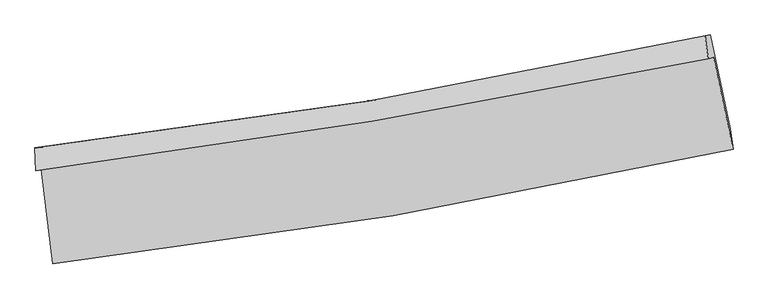
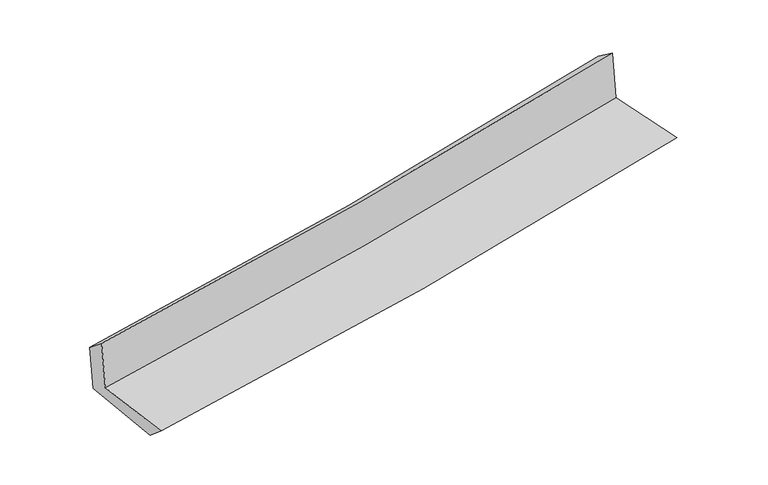
"""IFC4 building model written with IfcOpenShell, lengths in millimetres: proxy geometry."""

from ifc_helpers import new_model, si_unit, frame, origin, place, context, project, spatial, source, transform, mapped, element, save
from ifc_brep_helpers import plane_surface, spline_curve, spline_surface, advanced_brep


def generic_models_bf49f124(model_context):
    return source(origin(), model_context, "Body", "AdvancedBrep", [
        advanced_brep(
        [(-2336.5499055, -1875.2298563, 1673.537551), (-2257.0265183, -2527.137094, 1666.436706), (2423.8067748, -1739.0456139, 2090.2054305), (2289.7023964, -1106.5209139, 2099.7368535), (-2372.4535598, -1885.8979066, 2077.0141612), (2253.5429624, -1117.1554613, 2503.0512717), (-2379.9040313, -1727.9758684, 1950.5808346), (2230.8328902, -956.8923995, 2387.1150095), (-2346.2686637, -1722.6873646, 1578.7702078), (2265.1322966, -951.494358, 2014.9190101), (-2263.31004, -2382.6028673, 1544.9145025), (2403.7870983, -1597.1311012, 1986.5941262)],
        [
            (0, 1),
            (1, 2, spline_curve(3, [(-2257.0265183, -2527.137094, 1666.436706), (-1473.738900119, -2435.830844003, 1738.62841005), (-693.49870699, -2324.828655696, 1809.907395586), (866.825809793, -2062.433661964, 1951.177639847), (1646.863380822, -1910.738690326, 2021.154895566), (2423.8067748, -1739.0456139, 2090.2054305)], [4, 2, 4], [0.0, 7.743821708167105, 15.546818446326792])),
            (2, 3),
            (3, 0, spline_curve(3, [(2289.7023964, -1106.5209139, 2099.7368535), (1520.759898503, -1264.557047582, 2027.820588684), (749.290655068, -1407.822008066, 1956.211828782), (-792.831623877, -1663.835133362, 1814.150041062), (-1563.446481255, -1776.806487182, 1743.692366651), (-2336.5499055, -1875.2298563, 1673.537551)], [4, 2, 4], [0.0, 7.802996738159687, 15.546818446326792])),
            (4, 0),
            (3, 5),
            (5, 4, spline_curve(3, [(2253.5429624, -1117.1554613, 2503.0512717), (1484.646349048, -1275.169280581, 2431.116068667), (713.221438337, -1418.425939733, 2359.51149479), (-828.815604575, -1674.450444382, 2217.504120144), (-1599.389534328, -1787.441267119, 2147.096324), (-2372.4535598, -1885.8979066, 2077.0141612)], [4, 2, 4], [0.0, 7.755547482806462, 15.452279773154931])),
            (6, 4),
            (5, 7),
            (7, 6, spline_curve(3, [(2230.8328902, -956.8923995, 2387.1150095), (1466.243433732, -1126.835319237, 2316.986615255), (698.245236325, -1276.230399054, 2245.400579997), (-838.718575933, -1532.947749518, 2099.867163722), (-1607.632685894, -1640.580492461, 2025.941807447), (-2379.9040313, -1727.9758684, 1950.5808346)], [4, 2, 4], [0.0, 7.744843430431699, 15.430952843964175])),
            (8, 6),
            (7, 9),
            (9, 8, spline_curve(3, [(2265.1322966, -951.494358, 2014.9190101), (1500.435347383, -1121.459744197, 1944.762904213), (732.327849531, -1270.87521219, 1873.195425279), (-804.857336535, -1527.629043926, 1727.791165438), (-1573.883492011, -1635.27791128, 1653.975710334), (-2346.2686637, -1722.6873646, 1578.7702078)], [4, 2, 4], [0.0, 7.734991112703172, 15.411322924826589])),
            (10, 8),
            (9, 11),
            (11, 10, spline_curve(3, [(2403.7870983, -1597.1311012, 1986.5941262), (1629.144102688, -1768.310142131, 1915.544737176), (851.405762702, -1919.5290999, 1843.067899322), (-704.340053166, -2181.051430333, 1695.819789942), (-1482.300759432, -2291.656394476, 1621.070086154), (-2263.31004, -2382.6028673, 1544.9145025)], [4, 2, 4], [0.0, 7.78278565160367, 15.50654954659078])),
            (1, 10),
            (11, 2),
        ],
        [
            spline_surface(3, 3, [[(-2336.5499055, -1875.2298563, 1673.537551), (-1563.446481291, -1776.806487109, 1743.69236677), (-792.831623955, -1663.835133455, 1814.150041004), (749.290655147, -1407.822007972, 1956.21182884), (1520.759898468, -1264.55704754, 2027.820588793), (2289.7023964, -1106.5209139, 2099.7368535)], [(-2310.04210978, -2092.532268837, 1671.170602664), (-1533.543954231, -1996.481272737, 1742.004381195), (-759.720651618, -1884.166307522, 1812.735825891), (788.469039978, -1626.025892624, 1954.533765786), (1562.794392601, -1479.950928469, 2025.598691057), (2334.403855852, -1317.362480584, 2096.559712504)], [(-2283.53431402, -2309.834681463, 1668.803654336), (-1503.64142713, -2216.156058453, 1740.316395626), (-726.609679229, -2104.497481628, 1811.321610822), (827.647424863, -1844.229777315, 1952.855702777), (1604.828886777, -1695.344809345, 2023.376793308), (2379.105315348, -1528.204047216, 2093.382571496)], [(-2257.0265183, -2527.137094, 1666.436706), (-1473.73890007, -2435.830844081, 1738.628410051), (-693.498706892, -2324.828655694, 1809.907395709), (866.825809694, -2062.433661966, 1951.177639723), (1646.86338091, -1910.738690273, 2021.154895572), (2423.8067748, -1739.0456139, 2090.2054305)]], [4, 4], [4, 2, 4], [0.0, 2.1872808656144342], [0.0, 7.743821708167105, 15.546818446326792]),
            spline_surface(3, 3, [[(-2372.4535598, -1885.8979066, 2077.0141612), (-1599.389534364, -1787.441267225, 2147.096323978), (-828.815604458, -1674.450444474, 2217.504120243), (713.221438218, -1418.425939641, 2359.51149469), (1484.646349024, -1275.169280647, 2431.116068586), (2253.5429624, -1117.1554613, 2503.0512717)], [(-2360.485675008, -1882.341889834, 1942.521957782), (-1587.408516648, -1783.89634052, 2012.628338224), (-816.82094428, -1670.912007469, 2083.052760512), (725.244510538, -1414.891295753, 2225.078272755), (1496.684198841, -1271.631869598, 2296.684241959), (2265.596107069, -1113.610612154, 2368.61313227)], [(-2348.517790292, -1878.785873066, 1808.029754418), (-1575.427499007, -1780.351413814, 1878.160352524), (-804.826284133, -1667.373570459, 1948.601400735), (737.267582827, -1411.35665186, 2090.645050775), (1508.722048651, -1268.094458588, 2162.252415421), (2277.649251731, -1110.065763046, 2234.17499293)], [(-2336.5499055, -1875.2298563, 1673.537551), (-1563.446481291, -1776.806487109, 1743.69236677), (-792.831623955, -1663.835133455, 1814.150041004), (749.290655147, -1407.822007972, 1956.21182884), (1520.759898468, -1264.55704754, 2027.820588793), (2289.7023964, -1106.5209139, 2099.7368535)]], [4, 4], [4, 2, 4], [0.0, 1.328974664894869], [0.0, 7.696732290348469, 15.452279773154931]),
            spline_surface(3, 3, [[(-2379.9040313, -1727.9758684, 1950.5808346), (-1607.632685824, -1640.580492551, 2025.941807348), (-838.718575985, -1532.947749442, 2099.867163755), (698.245236378, -1276.230399132, 2245.400579964), (1466.243433728, -1126.835319243, 2316.986615208), (2230.8328902, -956.8923995, 2387.1150095)], [(-2377.42054081, -1780.616547828, 1992.725276805), (-1604.884968681, -1689.534084137, 2066.326646229), (-835.417585486, -1580.115314467, 2139.079482577), (703.237303648, -1323.62891265, 2283.437551531), (1472.377738838, -1176.279973045, 2355.02976635), (2238.402914278, -1010.313420101, 2425.760430249)], [(-2374.93705029, -1833.257227172, 2034.869718995), (-1602.137251507, -1738.48767564, 2106.711485096), (-832.116594956, -1627.282879448, 2178.291801422), (708.229370949, -1371.027426122, 2321.474523122), (1478.512043914, -1225.724626844, 2393.072917444), (2245.972938322, -1063.734440699, 2464.405850951)], [(-2372.4535598, -1885.8979066, 2077.0141612), (-1599.389534364, -1787.441267225, 2147.096323978), (-828.815604458, -1674.450444474, 2217.504120243), (713.221438218, -1418.425939641, 2359.51149469), (1484.646349024, -1275.169280647, 2431.116068586), (2253.5429624, -1117.1554613, 2503.0512717)]], [4, 4], [4, 2, 4], [0.0, 0.6022901239138989], [0.0, 7.686109413532476, 15.430952843964175]),
            spline_surface(3, 3, [[(-2346.2686637, -1722.6873646, 1578.7702078), (-1573.883492119, -1635.277911226, 1653.97571046), (-804.85733648, -1527.62904381, 1727.791165556), (732.327849476, -1270.875212307, 1873.19542516), (1500.435347266, -1121.459744213, 1944.762904133), (2265.1322966, -951.494358, 2014.9190101)], [(-2357.480452902, -1724.450199183, 1702.707083425), (-1585.133223356, -1637.045438317, 1777.964409448), (-816.144416317, -1529.401945683, 1851.816498309), (720.966978441, -1272.660274578, 1997.263810114), (1489.038042738, -1123.251602567, 2068.837474491), (2253.699161118, -953.293705177, 2138.984343234)], [(-2368.692242098, -1726.213033817, 1826.643958975), (-1596.382954587, -1638.81296546, 1901.95310836), (-827.431496148, -1531.174847568, 1975.841831003), (709.606107413, -1274.445336861, 2121.33219501), (1477.640738256, -1125.043460889, 2192.912044849), (2242.266025682, -955.093052323, 2263.049676366)], [(-2379.9040313, -1727.9758684, 1950.5808346), (-1607.632685824, -1640.580492551, 2025.941807348), (-838.718575985, -1532.947749442, 2099.867163755), (698.245236378, -1276.230399132, 2245.400579964), (1466.243433728, -1126.835319243, 2316.986615208), (2230.8328902, -956.8923995, 2387.1150095)]], [4, 4], [4, 2, 4], [0.0, 1.2261372930824848], [0.0, 7.676331812123417, 15.411322924826589]),
            spline_surface(3, 3, [[(-2263.31004, -2382.6028673, 1544.9145025), (-1482.300759364, -2291.656394499, 1621.070086228), (-704.340053215, -2181.051430253, 1695.819789831), (851.405762752, -1919.52909998, 1843.067899434), (1629.144102703, -1768.310142248, 1915.544737094), (2403.7870983, -1597.1311012, 1986.5941262)], [(-2290.962914573, -2162.631033055, 1556.199737577), (-1512.828336956, -2072.863566729, 1632.038627616), (-737.845814288, -1963.243968111, 1706.476915054), (811.713125008, -1703.311137429, 1853.11040799), (1586.24118422, -1552.693342907, 1925.284126115), (2357.568831062, -1381.91885347, 1996.035754175)], [(-2318.615789127, -1942.659198845, 1567.484972723), (-1543.355914527, -1854.070738995, 1643.007169072), (-771.351575406, -1745.436505951, 1717.134040334), (772.02048722, -1487.093174859, 1863.152916604), (1543.33826575, -1337.076543555, 1935.023515111), (2311.350563838, -1166.70660573, 2005.477382125)], [(-2346.2686637, -1722.6873646, 1578.7702078), (-1573.883492119, -1635.277911226, 1653.97571046), (-804.85733648, -1527.62904381, 1727.791165556), (732.327849476, -1270.875212307, 1873.19542516), (1500.435347266, -1121.459744213, 1944.762904133), (2265.1322966, -951.494358, 2014.9190101)]], [4, 4], [4, 2, 4], [0.0, 2.1684880573033407], [0.0, 7.723763894987109, 15.50654954659078]),
            spline_surface(3, 3, [[(-2257.0265183, -2527.137094, 1666.436706), (-1473.73890007, -2435.830844081, 1738.628410051), (-693.498706892, -2324.828655694, 1809.907395709), (866.825809694, -2062.433661966, 1951.177639723), (1646.86338091, -1910.738690273, 2021.154895572), (2423.8067748, -1739.0456139, 2090.2054305)], [(-2259.121025526, -2478.959018464, 1625.929304846), (-1476.59285316, -2387.772694251, 1699.442302123), (-697.112488995, -2276.902913874, 1771.878193757), (861.685794052, -2014.798807965, 1915.141059634), (1640.956954862, -1863.262507579, 1985.951509414), (2417.133549321, -1691.740776314, 2055.668329068)], [(-2261.215532774, -2430.780942836, 1585.421903654), (-1479.446806274, -2339.714544329, 1660.256194155), (-700.726271113, -2228.977172073, 1733.848991783), (856.545778394, -1967.163953982, 1879.104479523), (1635.050528752, -1815.786324943, 1950.748123251), (2410.460323779, -1644.435938786, 2021.131227632)], [(-2263.31004, -2382.6028673, 1544.9145025), (-1482.300759364, -2291.656394499, 1621.070086228), (-704.340053215, -2181.051430253, 1695.819789831), (851.405762752, -1919.52909998, 1843.067899434), (1629.144102703, -1768.310142248, 1915.544737094), (2403.7870983, -1597.1311012, 1986.5941262)]], [4, 4], [4, 2, 4], [0.0, 0.596503224342545], [0.0, 7.780709423452854, 15.620875757310914]),
            plane_surface(frame((2311.1340698, -1244.7066413, 2180.2702836), z_axis=(0.9743199635391074, 0.2051720777126926, 0.09276328571266451), x_axis=(-0.09175575339445415, -0.014440522998107504, 0.9956768316148354))),
            plane_surface(frame((-2325.9187864, -2020.2551595, 1748.5423272), z_axis=(-0.9886296410885926, -0.11960602400031772, -0.0911363362434338), x_axis=(-0.12108106283345295, 0.9925837419407433, 0.010811635308010183))),
        ],
        [
            (0, [[1, 2, 3, 4]]),
            (1, [[5, -4, 6, 7]]),
            (2, [[8, -7, 9, 10]]),
            (3, [[11, -10, 12, 13]]),
            (4, [[14, -13, 15, 16]]),
            (5, [[17, -16, 18, -2]]),
            (6, [[-12, -9, -6, -3, -18, -15]]),
            (7, [[-1, -5, -8, -11, -14, -17]]),
        ],
    ),
    ])


if __name__ == "__main__":
    model = new_model("IFC4")
    model_context = context("Model", 3, world=origin())
    ifc_project = project(units=[si_unit("LENGTHUNIT", "METRE", prefix="MILLI")], contexts=[model_context])
    site = spatial("IfcSite", under=ifc_project)
    building = spatial("IfcBuilding", under=site)
    placement = place(None, origin())
    generic_models_shape = generic_models_bf49f124(model_context)
    element("IfcBuildingElementProxy", 1, Name="Generic Models", at=placement, inside=building, context=model_context, shape_type="MappedRepresentation", body=[
        mapped(generic_models_shape, transform((0.0, 0.0, 0.0), x_axis=(1.0, 0.0, 0.0), y_axis=(0.0, 1.0, 0.0), z_axis=(0.0, 0.0, 1.0))),
    ])
    save(model, "model.ifc")
